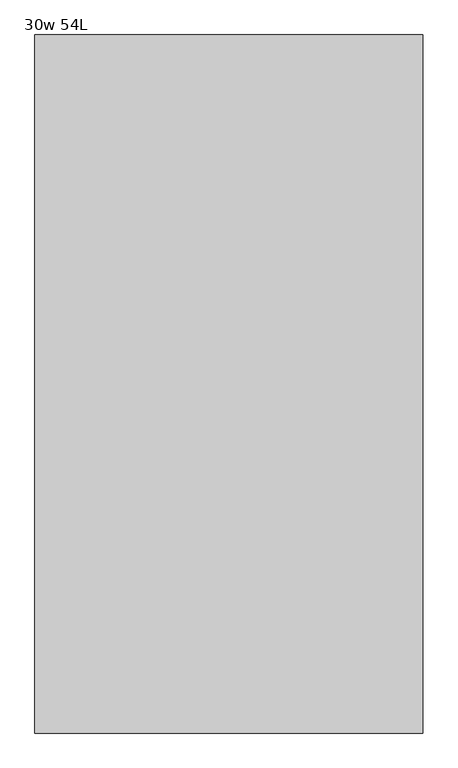
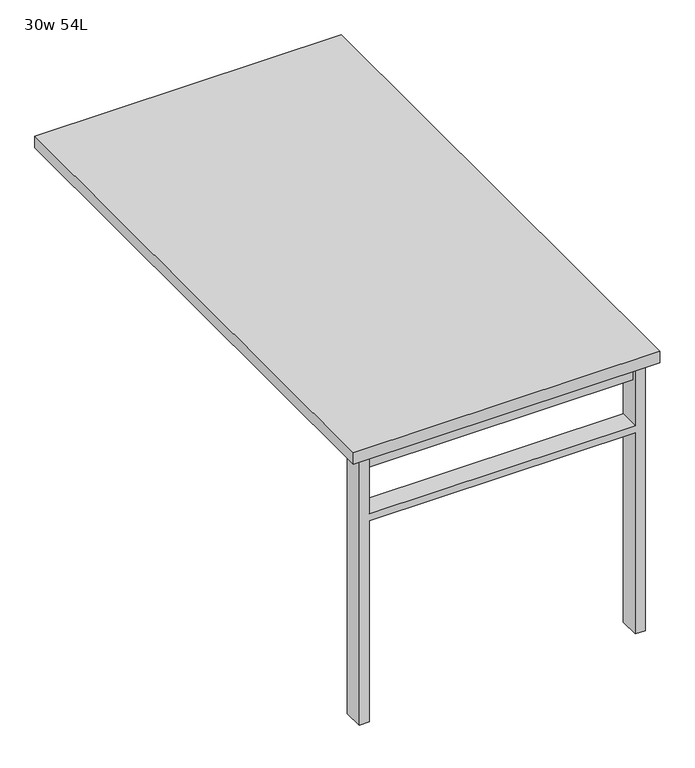
"""IFC4 building model written with IfcOpenShell, lengths in millimetres: furniture geometry, 30w 54L."""

from ifc_helpers import new_model, si_unit, frame, origin, place, context, project, spatial, polyline, outline, extrude, source, transform, mapped, element, save


def furniture_30w_54l_7f7fa267(model_context):
    return source(origin(), model_context, "Body", "SweptSolid", [
        extrude(outline(polyline([(-330.2, -625.475), (330.2, -625.475), (330.2, -657.225), (-330.2, -657.225), (-330.2, -625.475)])), frame((0.0, 0.0, 661.9875), z_axis=(0.0, 0.0, 1.0), x_axis=(1.0, 0.0, 0.0)), (0.0, 0.0, 1.0), 44.45),
        extrude(outline(polyline([(528.6375, 330.2), (0.0, 330.2), (0.0, 355.6), (706.4375, 355.6), (706.4375, 330.2), (547.6875, 330.2), (547.6875, -330.2), (706.4375, -330.2), (706.4375, -355.6), (0.0, -355.6), (0.0, -330.2), (528.6375, -330.2), (528.6375, 330.2)])), frame((0.0, -666.75, 0.0), z_axis=(0.0, 1.0, 0.0), x_axis=(0.0, 0.0, 1.0)), (0.0, 0.0, 1.0), 50.8),
        extrude(outline(polyline([(-381.0, -685.8), (-381.0, 685.8), (381.0, 685.8), (381.0, -685.8), (-381.0, -685.8)])), frame((0.0, 0.0, 706.4375), z_axis=(0.0, 0.0, 1.0), x_axis=(1.0, 0.0, 0.0)), (0.0, 0.0, 1.0), 30.1625),
    ])


if __name__ == "__main__":
    model = new_model("IFC4")
    model_context = context("Model", 3, world=origin())
    ifc_project = project(units=[si_unit("LENGTHUNIT", "METRE", prefix="MILLI")], contexts=[model_context])
    site = spatial("IfcSite", under=ifc_project)
    building = spatial("IfcBuilding", under=site)
    placement = place(None, origin())
    furniture_30w_54l_shape = furniture_30w_54l_7f7fa267(model_context)
    element("IfcFurniture", 1, ObjectType="30w 54L", at=placement, inside=building, context=model_context, shape_type="MappedRepresentation", body=[
        mapped(furniture_30w_54l_shape, transform((0.0, 0.0, 0.0), x_axis=(1.0, 0.0, 0.0), y_axis=(0.0, 1.0, 0.0), z_axis=(0.0, 0.0, 1.0))),
    ])
    save(model, "model.ifc")
